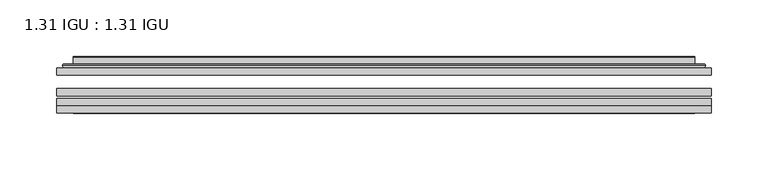
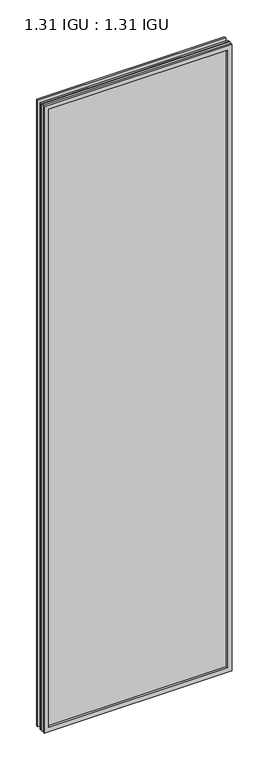
"""IFC4 building model written with IfcOpenShell, lengths in millimetres: plate geometry, 1.31 IGU : 1.31 IGU."""

from ifc_helpers import new_model, si_unit, frame, origin, place, context, project, spatial, polyline, ellipse_curve, outline, extrude, faceted_brep, source, transform, mapped, element, save
from ifc_brep_helpers import plane_surface, cylinder_surface, advanced_brep


def plate_1_31_igu_1_31_igu_202f8a5d(model_context):
    return source(origin(), model_context, "Body", "SolidModel", [
        extrude(outline(polyline([(287.351675, -63.2975937), (287.351675, -69.6475938), (-287.3375, -69.6475938), (-287.3375, -63.2975937), (287.351675, -63.2975937)])), frame((0.0, 0.0, -14.2875), z_axis=(0.0, 0.0, 1.0), x_axis=(1.0, 0.0, 0.0)), (0.0, 0.0, 1.0), 2022.4787979),
        extrude(outline(polyline([(-287.3375, -78.2835938), (-287.3375, -71.9330887), (287.351675, -71.9330887), (287.351675, -78.2835938), (-287.3375, -78.2835938)])), frame((0.0, 0.0, -14.2875), z_axis=(0.0, 0.0, 1.0), x_axis=(1.0, 0.0, 0.0)), (0.0, 0.0, 1.0), 2022.4787979),
        extrude(outline(polyline([(287.351675, -44.9587937), (287.351675, -51.3087938), (-287.3375, -51.3087938), (-287.3375, -44.9587937), (287.351675, -44.9587937)])), frame((0.0, 0.0, -14.2875), z_axis=(0.0, 0.0, 1.0), x_axis=(1.0, 0.0, 0.0)), (0.0, 0.0, 1.0), 2022.4787979),
        faceted_brep([(-287.3502, -84.6335937, 2008.2002), (-287.3502, -78.2835937, 2008.2002), (-287.3502, -78.2835937, -14.3002), (-287.3502, -84.6335937, -14.3002), (287.3502, -78.2835937, -14.3002), (287.3502, -84.6335937, -14.3002), (287.3502, -78.2835937, 2008.2002), (287.3502, -84.6335937, 2008.2002), (-272.1522559, -78.2835937, 0.8977441), (272.1522559, -78.2835937, 0.8977441), (272.1522559, -78.2835937, 1993.0022559), (-272.1522559, -78.2835937, 1993.0022559), (-273.0446902, -84.6335937, 1993.8946902), (273.0446902, -84.6335937, 1993.8946902), (273.0446902, -84.6335937, 0.0053098), (-273.0446902, -84.6335937, 0.0053098)], [[[0, 1, 2, 3]], [[3, 2, 4, 5]], [[5, 4, 6, 7]], [[1, 6, 4, 2], [8, 9, 10, 11]], [[7, 6, 1, 0]], [[3, 5, 7, 0], [12, 13, 14, 15]], [[11, 12, 15, 8]], [[8, 15, 14, 9]], [[9, 14, 13, 10]], [[10, 13, 12, 11]]]),
        advanced_brep(
        [(-280.096219, -44.9587937, 2000.946219), (-282.4504244, -42.9691271, 2003.3004244), (-282.4504244, -42.9691271, -9.4004244), (-280.096219, -44.9587937, -7.046219), (-271.0218939, -41.1187568, 1991.8718939), (-266.0870621, -44.9587937, 1986.9370621), (-266.0870621, -44.9587937, 6.9629379), (-271.0218939, -41.1187568, 2.0281061), (-272.0539217, -35.7215256, 1992.9039217), (-272.0539217, -35.7215256, 0.9960783), (-273.0445784, -35.3225507, 1993.8945784), (-273.0445784, -35.3225507, 0.0054216), (-273.0445784, -41.7837937, 1993.8945784), (-273.0445784, -41.7837937, 0.0054216), (-281.4486349, -41.7837937, 2002.2986349), (-281.4486349, -41.7837937, -8.3986349), (282.4504244, -42.9691271, -9.4004244), (280.096219, -44.9587937, -7.046219), (266.0870621, -44.9587937, 6.9629379), (271.0218939, -41.1187568, 2.0281061), (272.0539217, -35.7215256, 0.9960783), (273.0445784, -35.3225507, 0.0054216), (273.0445784, -41.7837937, 0.0054216), (281.4486349, -41.7837937, -8.3986349), (282.4504244, -42.9691271, 2003.3004244), (280.096219, -44.9587937, 2000.946219), (266.0870621, -44.9587937, 1986.9370621), (271.0218939, -41.1187568, 1991.8718939), (272.0539217, -35.7215256, 1992.9039217), (273.0445784, -35.3225507, 1993.8945784), (273.0445784, -41.7837937, 1993.8945784), (281.4486349, -41.7837937, 2002.2986349)],
        [
            (0, 1, ellipse_curve(frame((-280.096219, -42.5711937, 2000.946219), z_axis=(-0.7071067811865475, 0.0, -0.7071067811865475), x_axis=(-0.7071067811865474, 0.0, 0.7071067811865476)), 3.3765763, 2.3876)),
            (1, 2),
            (2, 3, ellipse_curve(frame((-280.096219, -42.5711937, -7.046219), z_axis=(-0.7071067811865475, 0.0, 0.7071067811865475), x_axis=(0.7071067811865474, 0.0, 0.7071067811865476)), 3.3765763, 2.3876)),
            (3, 0),
            (4, 5),
            (5, 6),
            (6, 7),
            (7, 4),
            (8, 4),
            (7, 9),
            (9, 8),
            (10, 8, ellipse_curve(frame((-272.6776219, -35.840786, 1993.5276219), z_axis=(-0.7071067811865475, 0.0, -0.7071067811865475), x_axis=(-0.7071067811865474, 0.0, 0.7071067811865476)), 0.8980256, 0.635)),
            (9, 11, ellipse_curve(frame((-272.6776219, -35.840786, 0.3723781), z_axis=(-0.7071067811865475, 0.0, 0.7071067811865475), x_axis=(0.7071067811865474, 0.0, 0.7071067811865476)), 0.8980256, 0.635)),
            (11, 10),
            (12, 10),
            (11, 13),
            (13, 12),
            (1, 14, ellipse_curve(frame((-281.4486349, -42.7997937, 2002.2986349), z_axis=(-0.7071067811865475, 0.0, -0.7071067811865475), x_axis=(-0.7071067811865474, 0.0, 0.7071067811865476)), 1.436841, 1.016)),
            (14, 15),
            (15, 2, ellipse_curve(frame((-281.4486349, -42.7997937, -8.3986349), z_axis=(-0.7071067811865475, 0.0, 0.7071067811865475), x_axis=(0.7071067811865474, 0.0, 0.7071067811865476)), 1.436841, 1.016)),
            (2, 16),
            (16, 17, ellipse_curve(frame((280.096219, -42.5711937, -7.046219), z_axis=(-0.7071067811865475, 0.0, -0.7071067811865475), x_axis=(-0.7071067811865476, 0.0, 0.7071067811865474)), 3.3765763, 2.3876)),
            (17, 3),
            (6, 18),
            (18, 19),
            (19, 7),
            (19, 20),
            (20, 9),
            (20, 21, ellipse_curve(frame((272.6776219, -35.840786, 0.3723781), z_axis=(-0.7071067811865475, 0.0, -0.7071067811865475), x_axis=(-0.7071067811865476, 0.0, 0.7071067811865474)), 0.8980256, 0.635)),
            (21, 11),
            (21, 22),
            (22, 13),
            (15, 23),
            (23, 16, ellipse_curve(frame((281.4486349, -42.7997937, -8.3986349), z_axis=(-0.7071067811865475, 0.0, -0.7071067811865475), x_axis=(-0.7071067811865476, 0.0, 0.7071067811865474)), 1.436841, 1.016)),
            (16, 24),
            (24, 25, ellipse_curve(frame((280.096219, -42.5711937, 2000.946219), z_axis=(0.7071067811865475, 0.0, -0.7071067811865475), x_axis=(-0.7071067811865474, 0.0, -0.7071067811865476)), 3.3765763, 2.3876)),
            (25, 17),
            (18, 26),
            (26, 27),
            (27, 19),
            (27, 28),
            (28, 20),
            (28, 29, ellipse_curve(frame((272.6776219, -35.840786, 1993.5276219), z_axis=(0.7071067811865475, 0.0, -0.7071067811865475), x_axis=(-0.7071067811865474, 0.0, -0.7071067811865476)), 0.8980256, 0.635)),
            (29, 21),
            (29, 30),
            (30, 22),
            (23, 31),
            (31, 24, ellipse_curve(frame((281.4486349, -42.7997937, 2002.2986349), z_axis=(0.7071067811865475, 0.0, -0.7071067811865475), x_axis=(-0.7071067811865474, 0.0, -0.7071067811865476)), 1.436841, 1.016)),
            (24, 1),
            (0, 25),
            (5, 26),
            (4, 27),
            (8, 28),
            (10, 29),
            (12, 30),
            (14, 31),
        ],
        [
            cylinder_surface(frame((-280.096219, -42.5711937, 2025.65), z_axis=(0.0, 0.0, 1.0), x_axis=(-1.0, 0.0, 0.0)), 2.3876),
            plane_surface(frame((-266.0870621, -44.9587937, 1986.9370621), z_axis=(0.6141233906514794, 0.7892100234124821, 0.0), x_axis=(0.0, 0.0, -1.0))),
            plane_surface(frame((-271.0218939, -41.1187568, 1991.8718939), z_axis=(0.9822050625507729, 0.18781164793386076, 0.0), x_axis=(0.0, 0.0, -1.0))),
            cylinder_surface(frame((-272.6776219, -35.840786, 2025.65), z_axis=(0.0, 0.0, 1.0), x_axis=(-1.0, 0.0, 0.0)), 0.635),
            plane_surface(frame((-273.0445784, -35.3225507, 1993.8945784), z_axis=(-1.0, 0.0, 0.0), x_axis=(0.0, 0.0, -1.0))),
            cylinder_surface(frame((-281.4486349, -42.7997937, 2025.65), z_axis=(0.0, 0.0, 1.0), x_axis=(-1.0, 0.0, 0.0)), 1.016),
            cylinder_surface(frame((-304.8, -42.5711937, -7.046219), z_axis=(-1.0, 0.0, 0.0), x_axis=(0.0, 0.0, -1.0)), 2.3876),
            plane_surface(frame((-266.0870621, -44.9587937, 6.9629379), z_axis=(0.0, 0.7892100234124841, 0.6141233906514768), x_axis=(1.0, 0.0, 0.0))),
            plane_surface(frame((-271.0218939, -41.1187568, 2.0281061), z_axis=(0.0, 0.18781164793386393, 0.9822050625507723), x_axis=(1.0, 0.0, 0.0))),
            cylinder_surface(frame((-304.8, -35.840786, 0.3723781), z_axis=(-1.0, 0.0, 0.0), x_axis=(0.0, 0.0, -1.0)), 0.635),
            plane_surface(frame((-273.0445784, -35.3225507, 0.0054216), z_axis=(0.0, 0.0, -1.0), x_axis=(1.0, 0.0, 0.0))),
            cylinder_surface(frame((-304.8, -42.7997937, -8.3986349), z_axis=(-1.0, 0.0, 0.0), x_axis=(0.0, 0.0, -1.0)), 1.016),
            cylinder_surface(frame((280.096219, -42.5711937, -31.75), z_axis=(0.0, 0.0, -1.0), x_axis=(1.0, 0.0, 0.0)), 2.3876),
            plane_surface(frame((266.0870621, -44.9587937, 6.9629379), z_axis=(-0.6141233906514743, 0.7892100234124861, 0.0), x_axis=(0.0, 0.0, 1.0))),
            plane_surface(frame((271.0218939, -41.1187568, 2.0281061), z_axis=(-0.9822050625507718, 0.1878116479338671, 0.0), x_axis=(0.0, 0.0, 1.0))),
            cylinder_surface(frame((272.6776219, -35.840786, -31.75), z_axis=(0.0, 0.0, -1.0), x_axis=(1.0, 0.0, 0.0)), 0.635),
            plane_surface(frame((273.0445784, -35.3225507, 0.0054216), z_axis=(1.0, 0.0, 0.0), x_axis=(0.0, 0.0, 1.0))),
            cylinder_surface(frame((281.4486349, -42.7997937, -31.75), z_axis=(0.0, 0.0, -1.0), x_axis=(1.0, 0.0, 0.0)), 1.016),
            cylinder_surface(frame((304.8, -42.5711937, 2000.946219), z_axis=(1.0, 0.0, 0.0), x_axis=(0.0, 0.0, 1.0)), 2.3876),
            plane_surface(frame((280.096219, -44.9587937, 2000.946219), z_axis=(0.0, -1.0, 0.0), x_axis=(-1.0, 0.0, 0.0))),
            plane_surface(frame((266.0870621, -44.9587937, 1986.9370621), z_axis=(0.0, 0.7892100234124841, -0.6141233906514768), x_axis=(-1.0, 0.0, 0.0))),
            plane_surface(frame((271.0218939, -41.1187568, 1991.8718939), z_axis=(0.0, 0.18781164793386393, -0.9822050625507723), x_axis=(-1.0, 0.0, 0.0))),
            cylinder_surface(frame((304.8, -35.840786, 1993.5276219), z_axis=(1.0, 0.0, 0.0), x_axis=(0.0, 0.0, 1.0)), 0.635),
            plane_surface(frame((273.0445784, -35.3225507, 1993.8945784), z_axis=(0.0, 0.0, 1.0), x_axis=(-1.0, 0.0, 0.0))),
            plane_surface(frame((273.0445784, -41.7837937, 1993.8945784), z_axis=(0.0, 1.0, 0.0), x_axis=(-1.0, 0.0, 0.0))),
            cylinder_surface(frame((304.8, -42.7997937, 2002.2986349), z_axis=(1.0, 0.0, 0.0), x_axis=(0.0, 0.0, 1.0)), 1.016),
        ],
        [
            (0, [[1, 2, 3, 4]]),
            (1, [[5, 6, 7, 8]]),
            (2, [[9, -8, 10, 11]]),
            (3, [[12, -11, 13, 14]]),
            (4, [[15, -14, 16, 17]]),
            (5, [[18, 19, 20, -2]]),
            (6, [[-3, 21, 22, 23]]),
            (7, [[-7, 24, 25, 26]]),
            (8, [[-10, -26, 27, 28]]),
            (9, [[-13, -28, 29, 30]]),
            (10, [[-16, -30, 31, 32]]),
            (11, [[-20, 33, 34, -21]]),
            (12, [[-22, 35, 36, 37]]),
            (13, [[-25, 38, 39, 40]]),
            (14, [[-27, -40, 41, 42]]),
            (15, [[-29, -42, 43, 44]]),
            (16, [[-31, -44, 45, 46]]),
            (17, [[-34, 47, 48, -35]]),
            (18, [[-36, 49, -1, 50]]),
            (19, [[-23, -37, -50, -4], [51, -38, -24, -6]]),
            (20, [[-39, -51, -5, 52]]),
            (21, [[-41, -52, -9, 53]]),
            (22, [[-43, -53, -12, 54]]),
            (23, [[-45, -54, -15, 55]]),
            (24, [[56, -47, -33, -19], [-32, -46, -55, -17]]),
            (25, [[-48, -56, -18, -49]]),
        ],
    ),
    ])


if __name__ == "__main__":
    model = new_model("IFC4")
    model_context = context("Model", 3, world=origin())
    ifc_project = project(units=[si_unit("LENGTHUNIT", "METRE", prefix="MILLI")], contexts=[model_context])
    site = spatial("IfcSite", under=ifc_project)
    building = spatial("IfcBuilding", under=site)
    placement = place(None, origin())
    plate_1_31_igu_1_31_igu_shape = plate_1_31_igu_1_31_igu_202f8a5d(model_context)
    element("IfcPlate", 1, ObjectType="1.31 IGU : 1.31 IGU", at=placement, inside=building, context=model_context, shape_type="MappedRepresentation", body=[
        mapped(plate_1_31_igu_1_31_igu_shape, transform((0.0, 0.0, 0.0), x_axis=(1.0, 0.0, 0.0), y_axis=(0.0, 1.0, 0.0), z_axis=(0.0, 0.0, 1.0))),
    ])
    save(model, "model.ifc")
